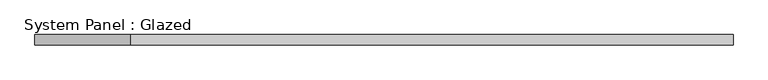
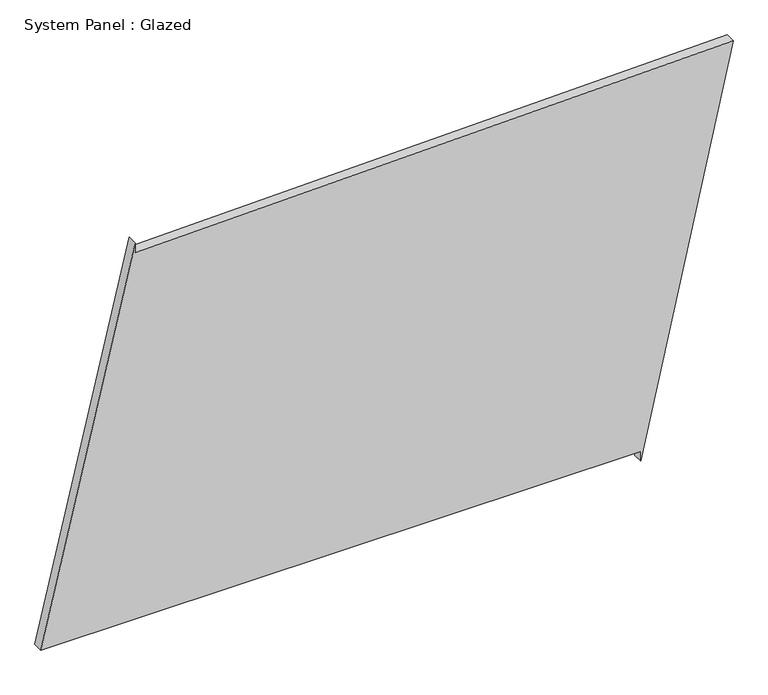
"""IFC4 building model written with IfcOpenShell, lengths in millimetres: plate geometry, System Panel : Glazed."""

from ifc_helpers import new_model, si_unit, frame, origin, place, context, project, spatial, polyline, outline, extrude, source, transform, mapped, element, save


def system_panel_glazed_990cfe53(model_context):
    return source(origin(), model_context, "Body", "SweptSolid", [
        extrude(outline(polyline([(25.0, 632.3083831), (0.0, 632.3083831), (1027.5357029, 862.1895795), (990.8951812, -626.3696751), (1015.887611, -626.9848576), (25.0, -862.1895795), (25.0, 632.3083831)])), frame((0.0, -49.5, 0.0), z_axis=(0.0, 1.0, 0.0), x_axis=(0.0, 0.0, 1.0)), (0.0, 0.0, 1.0), 25.0),
    ])


if __name__ == "__main__":
    model = new_model("IFC4")
    model_context = context("Model", 3, world=origin())
    ifc_project = project(units=[si_unit("LENGTHUNIT", "METRE", prefix="MILLI")], contexts=[model_context])
    site = spatial("IfcSite", under=ifc_project)
    building = spatial("IfcBuilding", under=site)
    placement = place(None, origin())
    system_panel_glazed_shape = system_panel_glazed_990cfe53(model_context)
    element("IfcPlate", 1, ObjectType="System Panel : Glazed", at=placement, inside=building, context=model_context, shape_type="MappedRepresentation", body=[
        mapped(system_panel_glazed_shape, transform((0.0, 0.0, 0.0), x_axis=(1.0, 0.0, 0.0), y_axis=(0.0, 1.0, 0.0), z_axis=(0.0, 0.0, 1.0))),
    ])
    save(model, "model.ifc")
